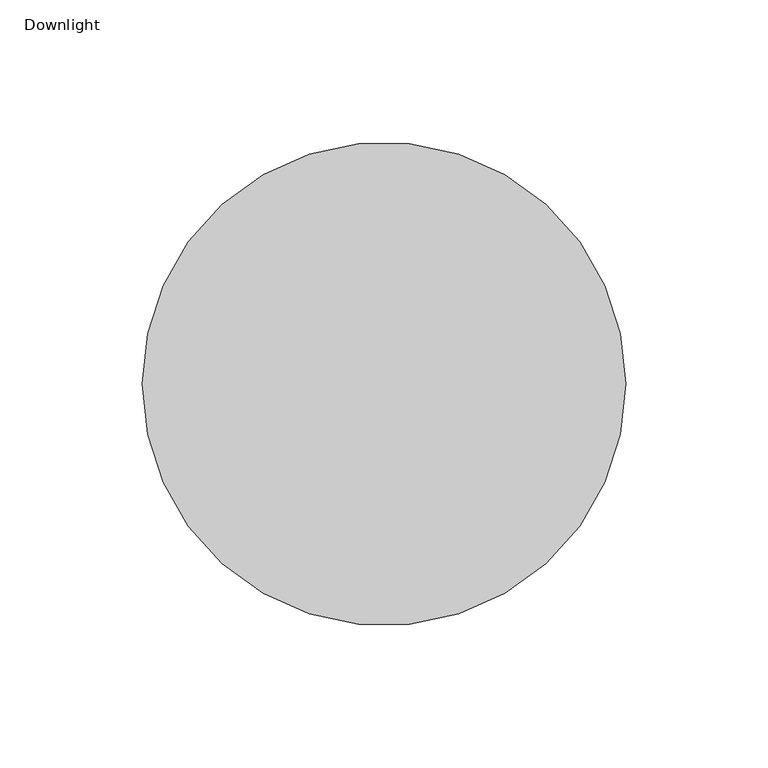
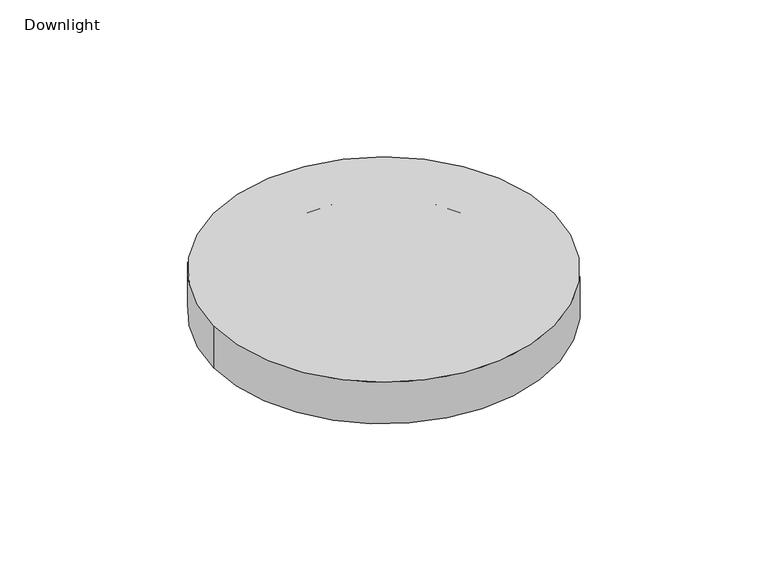
"""IFC4 building model written with IfcOpenShell, lengths in millimetres: light fixture geometry, Downlight."""

from ifc_helpers import new_model, si_unit, frame, origin, origin_with_axes, place, context, project, spatial, polyline, circle_curve, source, transform, mapped, element, save
from ifc_brep_helpers import plane_surface, cylinder_surface, revolved_surface, advanced_brep


def downlight_a5f78a2b(model_context):
    return source(origin(), model_context, "Body", "AdvancedBrep", [
        advanced_brep(
        [(85.0, 0.0, 22.0), (-85.0, 0.0, 22.0), (85.0, 0.0, 0.0), (-85.0, 0.0, 0.0), (80.0, 0.0, 0.0), (-80.0, 0.0, 0.0), (55.0, 0.0, 21.0), (-55.0, 0.0, 21.0)],
        [
            (0, 1, circle_curve(frame((0.0, 0.0, 22.0), z_axis=(0.0, 0.0, 1.0), x_axis=(-1.0, 0.0, 0.0)), 85.0)),
            (1, 0, circle_curve(frame((0.0, 0.0, 22.0), z_axis=(0.0, 0.0, 1.0), x_axis=(-1.0, 0.0, 0.0)), 85.0)),
            (2, 3, circle_curve(frame((0.0, 0.0, 0.0), z_axis=(0.0, 0.0, -1.0), x_axis=(-1.0, 0.0, 0.0)), 85.0)),
            (3, 2, circle_curve(frame((0.0, 0.0, 0.0), z_axis=(0.0, 0.0, -1.0), x_axis=(-1.0, 0.0, 0.0)), 85.0)),
            (4, 5, circle_curve(origin_with_axes(), 80.0)),
            (5, 4, circle_curve(frame((0.0, 0.0, 0.0), z_axis=(0.0, 0.0, 1.0), x_axis=(-1.0, 0.0, 0.0)), 80.0)),
            (0, 2),
            (3, 1),
            (6, 7, circle_curve(frame((0.0, 0.0, 21.0), z_axis=(0.0, 0.0, -1.0), x_axis=(-1.0, 0.0, 0.0)), 55.0)),
            (7, 6, circle_curve(frame((0.0, 0.0, 21.0), z_axis=(0.0, 0.0, -1.0), x_axis=(1.0, 0.0, 0.0)), 55.0)),
            (7, 5),
            (4, 6),
        ],
        [
            plane_surface(frame((-85.0, 0.0, 22.0), z_axis=(0.0, 0.0, 1.0), x_axis=(0.0, -1.0, 0.0))),
            plane_surface(frame((-85.0, 0.0, 0.0), z_axis=(0.0, 0.0, -1.0), x_axis=(0.0, 1.0, 0.0))),
            cylinder_surface(frame((0.0, 0.0, 0.0), z_axis=(0.0, 0.0, 1.0), x_axis=(-1.0, 0.0, 0.0)), 85.0),
            plane_surface(frame((0.0, 0.0, 21.0), z_axis=(0.0, 0.0, -1.0), x_axis=(0.0, 1.0, 0.0))),
            revolved_surface(polyline([(-80.0, 0.0, 0.0), (-55.0, 0.0, 21.0)]), (0.0, 0.0, 67.2), (0.0, 0.0, -1.0)),
            revolved_surface(polyline([(80.0, 0.0, 0.0), (55.0, 0.0, 21.0)]), (0.0, 0.0, 67.2), (0.0, 0.0, -1.0)),
        ],
        [
            (0, [[1, 2]]),
            (1, [[3, 4], [5, 6]]),
            (2, [[-1, 7, -4, 8]]),
            (2, [[-2, -8, -3, -7]]),
            (3, [[9, 10]]),
            (4, [[-10, 11, -5, 12]]),
            (5, [[-9, -12, -6, -11]]),
        ],
    ),
    ])


if __name__ == "__main__":
    model = new_model("IFC4")
    model_context = context("Model", 3, world=origin())
    ifc_project = project(units=[si_unit("LENGTHUNIT", "METRE", prefix="MILLI")], contexts=[model_context])
    site = spatial("IfcSite", under=ifc_project)
    building = spatial("IfcBuilding", under=site)
    placement = place(None, origin())
    downlight_shape = downlight_a5f78a2b(model_context)
    element("IfcLightFixture", 1, ObjectType="Downlight", at=placement, inside=building, context=model_context, shape_type="MappedRepresentation", body=[
        mapped(downlight_shape, transform((0.0, 0.0, 0.0), x_axis=(1.0, 0.0, 0.0), y_axis=(0.0, 1.0, 0.0), z_axis=(0.0, 0.0, 1.0))),
    ])
    save(model, "model.ifc")
